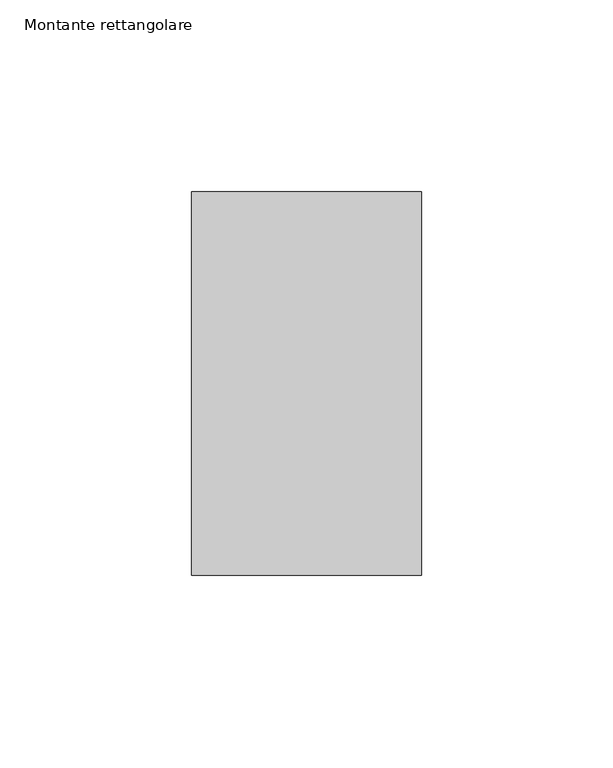
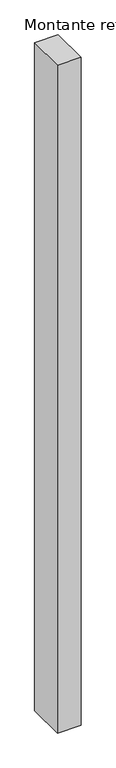
"""IFC4 building model written with IfcOpenShell, lengths in millimetres: member geometry, Montante rettangolare."""

import ifcopenshell
import ifcopenshell.guid

model = None  # the IFC model being written
_history = None  # IfcOwnerHistory: only IFC2X3 demands one
_inside = {}  # id of a spatial element -> (the spatial element, [elements in it])
_under = {}  # id of a project, library or spatial element -> (it, [spatial elements below it])
_declared = {}  # id of a project -> (the project, [libraries it declares])
_typed = {}  # id of a type object -> (the type object, [elements of that type])
_made_of = {}  # id of a material, layer set ... -> (it, [elements and type objects made of it])


def new_model(schema):
    """Start an empty IFC model of exactly this schema.

    Asked for "IFC4X3", IfcOpenShell would pick the latest addendum, in which some entities
    have other attributes; the version numbers below select the first issue.
    IFC2X3 requires an IfcOwnerHistory on every rooted entity: one is made here for all.
    """
    global model, _history
    if schema == "IFC4X3":
        model = ifcopenshell.file(schema_version=(4, 3, 0, 0))
    else:
        model = ifcopenshell.file(schema=schema)
    _inside.clear()
    _under.clear()
    _declared.clear()
    _typed.clear()
    _made_of.clear()
    _history = None
    if model.schema == "IFC2X3":
        org = make("IfcOrganization", Name="unknown")
        user = make(
            "IfcPersonAndOrganization",
            ThePerson=make("IfcPerson", FamilyName="unknown"),
            TheOrganization=org,
        )
        app = make(
            "IfcApplication",
            ApplicationDeveloper=org,
            Version="unknown",
            ApplicationFullName="unknown",
            ApplicationIdentifier="unknown",
        )
        _history = make(
            "IfcOwnerHistory",
            OwningUser=user,
            OwningApplication=app,
            ChangeAction="ADDED",
            CreationDate=0,
        )
    return model


def make(cls, **values):
    """One entity of the class cls with the attributes given. An attribute that is None is left unset."""
    return model.create_entity(
        cls, **{name: value for name, value in values.items() if value is not None}
    )


def rooted(cls, **values):
    """An entity with a GlobalId (a new one), such as an element, a storey or a relation."""
    return make(cls, GlobalId=ifcopenshell.guid.new(), OwnerHistory=_history, **values)


def si_unit(unit_type, name, prefix=None):
    """IfcSIUnit, for example si_unit("LENGTHUNIT", "METRE", prefix="MILLI")."""
    return make("IfcSIUnit", UnitType=unit_type, Prefix=prefix, Name=name)


def assignment(units):
    """IfcUnitAssignment: the units of a project."""
    return None if units is None else make("IfcUnitAssignment", Units=units)


def point(xyz):
    """IfcCartesianPoint."""
    return None if xyz is None else make("IfcCartesianPoint", Coordinates=xyz)


def direction(xyz):
    """IfcDirection."""
    return None if xyz is None else make("IfcDirection", DirectionRatios=xyz)


def frame(location, z_axis=None, x_axis=None):
    """IfcAxis2Placement3D, a coordinate frame: its origin and axes. An axis left out is left unset."""
    return make(
        "IfcAxis2Placement3D",
        Location=point(location),
        Axis=direction(z_axis),
        RefDirection=direction(x_axis),
    )


def origin():
    """The frame at (0, 0, 0) with its axes left unset."""
    return frame((0.0, 0.0, 0.0))


def place(relative_to, where):
    """IfcLocalPlacement: puts the frame where relative to a parent placement (None: the world)."""
    return make(
        "IfcLocalPlacement", PlacementRelTo=relative_to, RelativePlacement=where
    )


def context(
    kind, dimensions, precision=None, world=None, true_north=None, identifier=None
):
    """IfcGeometricRepresentationContext, for example the 3D "Model" context."""
    return make(
        "IfcGeometricRepresentationContext",
        ContextIdentifier=identifier,
        ContextType=kind,
        CoordinateSpaceDimension=dimensions,
        Precision=precision,
        WorldCoordinateSystem=world,
        TrueNorth=true_north,
    )


def project(units=None, contexts=None):
    """IfcProject with its units and contexts."""
    return rooted(
        "IfcProject",
        Name="project",
        RepresentationContexts=contexts,
        UnitsInContext=assignment(units),
    )


def spatial(cls, under=None, at=None, **own):
    """A site, building, storey or space (cls), placed at a placement, below another one or the project."""
    s = rooted(cls, ObjectPlacement=at, **own)
    if under is not None:
        _under.setdefault(under.id(), (under, []))[1].append(s)
    return s


def polyline(points):
    """IfcPolyline through the points."""
    return make("IfcPolyline", Points=[point(p) for p in points])


def outline(outer, holes=None, kind="AREA"):
    """IfcArbitraryClosedProfileDef: a profile drawn as a closed curve; with holes, ...WithVoids."""
    if holes is None:
        return make("IfcArbitraryClosedProfileDef", ProfileType=kind, OuterCurve=outer)
    return make(
        "IfcArbitraryProfileDefWithVoids",
        ProfileType=kind,
        OuterCurve=outer,
        InnerCurves=holes,
    )


def extrude(swept, where, along, depth):
    """IfcExtrudedAreaSolid: the profile swept, set in the frame where, extruded along a direction by depth."""
    return make(
        "IfcExtrudedAreaSolid",
        SweptArea=swept,
        Position=where,
        ExtrudedDirection=direction(along),
        Depth=depth,
    )


def shape(context_of_items, identifier, shape_type, items):
    """IfcShapeRepresentation: the items that make up one representation, for example the "Body"."""
    return make(
        "IfcShapeRepresentation",
        ContextOfItems=context_of_items,
        RepresentationIdentifier=identifier,
        RepresentationType=shape_type,
        Items=items,
    )


def source(mapping_origin, context_of_items, identifier, shape_type, items):
    """IfcRepresentationMap: a shape defined once, which mapped items show again and again."""
    return make(
        "IfcRepresentationMap",
        MappingOrigin=mapping_origin,
        MappedRepresentation=shape(context_of_items, identifier, shape_type, items),
    )


def transform(
    local_origin,
    x_axis=None,
    y_axis=None,
    z_axis=None,
    scale=None,
    scale2=None,
    scale3=None,
    uniform=True,
):
    """IfcCartesianTransformationOperator3D, or its non-uniform kind. x_axis, y_axis, z_axis: its Axis1, 2, 3."""
    if uniform:
        return make(
            "IfcCartesianTransformationOperator3D",
            Axis1=direction(x_axis),
            Axis2=direction(y_axis),
            LocalOrigin=point(local_origin),
            Scale=scale,
            Axis3=direction(z_axis),
        )
    return make(
        "IfcCartesianTransformationOperator3DnonUniform",
        Axis1=direction(x_axis),
        Axis2=direction(y_axis),
        LocalOrigin=point(local_origin),
        Scale=scale,
        Axis3=direction(z_axis),
        Scale2=scale2,
        Scale3=scale3,
    )


def mapped(mapping_source, mapping_target):
    """IfcMappedItem: shows the shape of a source again, moved by a transform."""
    return make(
        "IfcMappedItem", MappingSource=mapping_source, MappingTarget=mapping_target
    )


def made_of(thing, what):
    """Note that an element or type object is made of a material, layer set ...; save() writes the relation."""
    if what is not None:
        _made_of.setdefault(what.id(), (what, []))[1].append(thing)
    return thing


def element(
    cls,
    number,
    at=None,
    inside=None,
    cuts=None,
    type_object=None,
    material=None,
    context=None,
    identifier="Body",
    shape_type=None,
    held_by="IfcProductDefinitionShape",
    body=None,
    shapes=None,
    **own,
):
    """One element of the class cls, such as IfcWall. Its Tag is "e" and its number.

    at: its placement. inside: the storey or other place that contains it. cuts: it is an
    opening in that element (IfcRelVoidsElement). A single representation is given by context,
    identifier, shape_type and body (its items); several are given by shapes. held_by: the class
    of the entity that holds the representations. save() writes the other relations.
    """
    e = rooted(cls, Tag="e%d" % number, ObjectPlacement=at, **own)
    if body is not None:
        shapes = [shape(context, identifier, shape_type, body)]
    if shapes is not None:
        e.Representation = make(held_by, Representations=shapes)
    if inside is not None:
        _inside.setdefault(inside.id(), (inside, []))[1].append(e)
    if cuts is not None:
        rooted(
            "IfcRelVoidsElement", RelatingBuildingElement=cuts, RelatedOpeningElement=e
        )
    if type_object is not None:
        _typed.setdefault(type_object.id(), (type_object, []))[1].append(e)
    return made_of(e, material)


def aggregate(whole, parts):
    """IfcRelAggregates: a whole, such as a stair, and the parts it consists of."""
    return rooted("IfcRelAggregates", RelatingObject=whole, RelatedObjects=parts)


def save(model, path):
    """Write the relations noted so far, then the file.

    IfcRelAggregates (storeys below a building ...), IfcRelContainedInSpatialStructure (elements
    in a storey), IfcRelDefinesByType, IfcRelAssociatesMaterial and IfcRelDeclares: one each for
    every whole, place, type object, material and project.
    """
    for whole, parts in _under.values():
        aggregate(whole, parts)
    for where, things in _inside.values():
        rooted(
            "IfcRelContainedInSpatialStructure",
            RelatedElements=things,
            RelatingStructure=where,
        )
    for kind, things in _typed.values():
        rooted("IfcRelDefinesByType", RelatedObjects=things, RelatingType=kind)
    for what, things in _made_of.values():
        rooted("IfcRelAssociatesMaterial", RelatedObjects=things, RelatingMaterial=what)
    for by, libraries in _declared.values():
        rooted("IfcRelDeclares", RelatingContext=by, RelatedDefinitions=libraries)
    model.write(path)


def montante_rettangolare_32e1192d(model_context):
    return source(origin(), model_context, "Body", "SweptSolid", [
        extrude(outline(polyline([(30.0, 50.0), (30.0, -50.0), (-30.0, -50.0), (-30.0, 50.0), (30.0, 50.0)])), frame((0.0, 0.0, -1798.5079053), z_axis=(0.0, 0.0, 1.0), x_axis=(1.0, 0.0, 0.0)), (0.0, 0.0, 1.0), 1798.5079053),
    ])


if __name__ == "__main__":
    model = new_model("IFC4")
    model_context = context("Model", 3, world=origin())
    ifc_project = project(units=[si_unit("LENGTHUNIT", "METRE", prefix="MILLI")], contexts=[model_context])
    site = spatial("IfcSite", under=ifc_project)
    building = spatial("IfcBuilding", under=site)
    placement = place(None, origin())
    montante_rettangolare_shape = montante_rettangolare_32e1192d(model_context)
    element("IfcMember", 1, ObjectType="Montante rettangolare", at=placement, inside=building, context=model_context, shape_type="MappedRepresentation", body=[
        mapped(montante_rettangolare_shape, transform((0.0, 0.0, 0.0), x_axis=(1.0, 0.0, 0.0), y_axis=(0.0, 1.0, 0.0), z_axis=(0.0, 0.0, 1.0))),
    ])
    save(model, "model.ifc")
